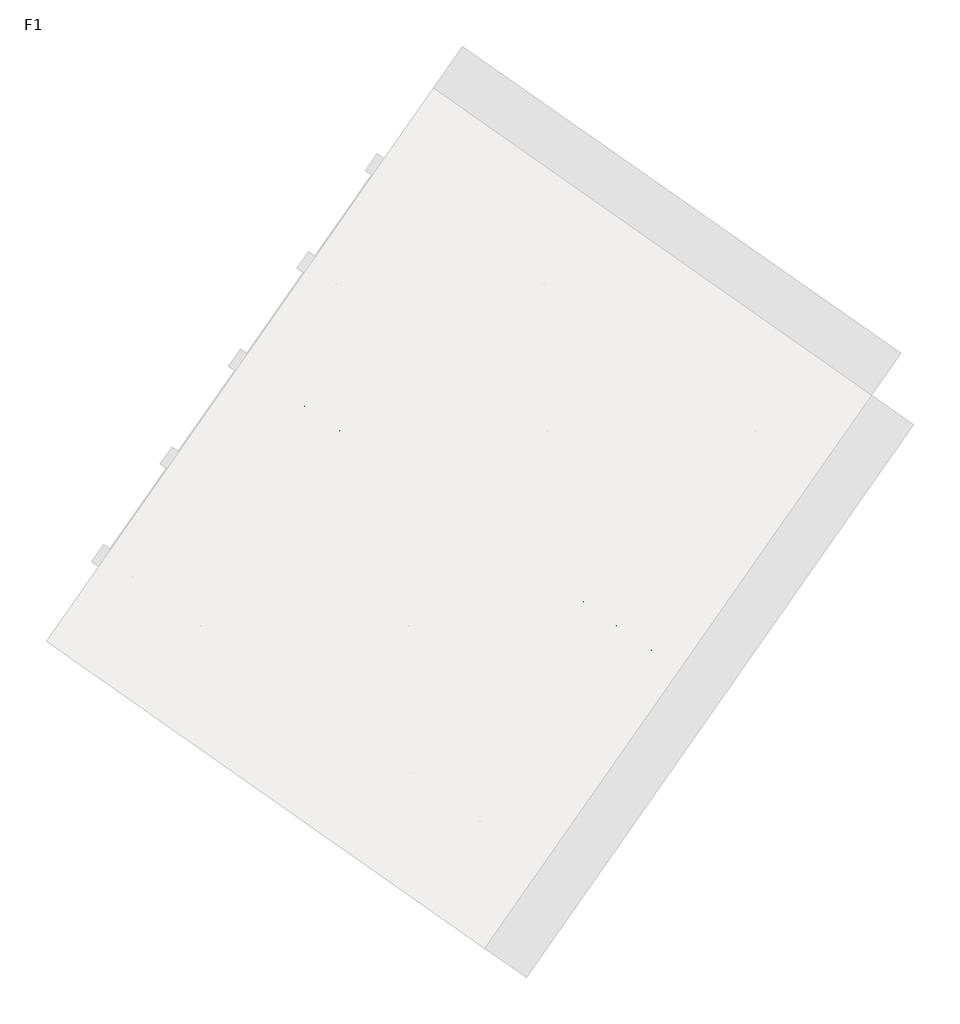
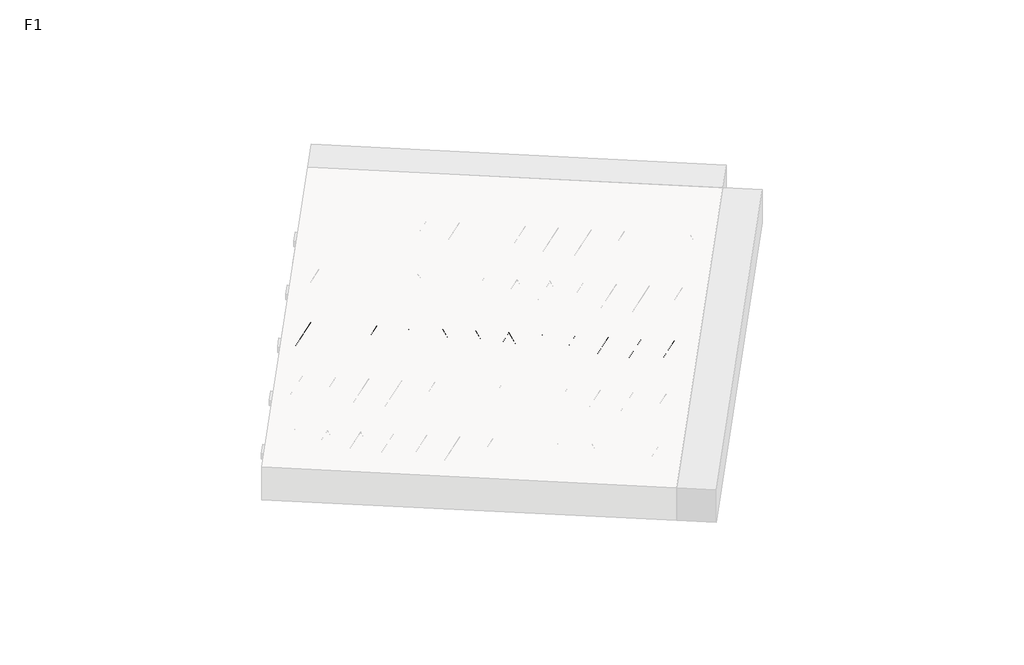
# One storey, part 23 of 30: 1 beam.
"""IFC4 building model written with IfcOpenShell, lengths in millimetres."""

from ifc_helpers import new_model, si_unit, point, frame, origin, origin_2d, place, context, project, spatial, circle_curve, trimmed, segment, composite_curve, outline, extrude, element, save

model = new_model("IFC4")

# Units and contexts
model_context = context("Model", 3, world=origin())
ifc_project = project(units=[si_unit("LENGTHUNIT", "METRE", prefix="MILLI")], contexts=[model_context])

# Site, building, storey
site = spatial("IfcSite", under=ifc_project)
building = spatial("IfcBuilding", under=site)
storey = spatial("IfcBuildingStorey", under=building, Name="F1", Elevation=99520.0)

# Beam
placement = place(None, origin())
element("IfcBeam", 1, at=placement, inside=storey, context=model_context, shape_type="SweptSolid", body=[
    extrude(outline(composite_curve([segment(trimmed(circle_curve(origin_2d(), 2.5), [point((-2.5, 0.0))], [point((2.5, 0.0))], False, "CARTESIAN"), True, "CONTINUOUS"), segment(trimmed(circle_curve(origin_2d(), 2.5), [point((2.5, 0.0))], [point((-2.5, 0.0))], False, "CARTESIAN"), True, "CONTINUOUS")], self_intersect=False)), frame((13894.7230399, 4082.9983882, 99745.0), z_axis=(-0.8191520442696126, 0.5735764363787226, 0.0), x_axis=(0.5735764363787226, 0.8191520442696126, 0.0)), (0.0, 0.0, 1.0), 3192.0),
    extrude(outline(composite_curve([segment(trimmed(circle_curve(origin_2d(), 2.5), [point((-2.5, 0.0))], [point((2.5, 0.0))], False, "CARTESIAN"), True, "CONTINUOUS"), segment(trimmed(circle_curve(origin_2d(), 2.5), [point((2.5, 0.0))], [point((-2.5, 0.0))], False, "CARTESIAN"), True, "CONTINUOUS")], self_intersect=False)), frame((13775.296792, 4210.5694324, 99970.0), z_axis=(-0.8191520442696126, 0.5735764363787226, 0.0), x_axis=(0.5735764363787226, 0.8191520442696126, 0.0)), (0.0, 0.0, 1.0), 2850.0),
    extrude(outline(composite_curve([segment(trimmed(circle_curve(origin_2d(), 2.5), [point((-2.5, 0.0))], [point((2.5, 0.0))], False, "CARTESIAN"), True, "CONTINUOUS"), segment(trimmed(circle_curve(origin_2d(), 2.5), [point((2.5, 0.0))], [point((-2.5, 0.0))], False, "CARTESIAN"), True, "CONTINUOUS")], self_intersect=False)), frame((13816.0844436, 4138.0617261, 99745.0), z_axis=(-0.3145304735701046, 0.38933448886848654, 0.8657304643902053), x_axis=(0.7778747638402499, 0.6284193279813057, 0.0)), (0.0, 0.0, 1.0), 259.8961331),
    extrude(outline(composite_curve([segment(trimmed(circle_curve(origin_2d(), 2.5), [point((2.5, -1e-07))], [point((-2.5, 0.0))], False, "CARTESIAN"), True, "CONTINUOUS"), segment(trimmed(circle_curve(origin_2d(), 2.5), [point((-2.5, 0.0))], [point((2.5, -1e-07))], False, "CARTESIAN"), True, "CONTINUOUS")], self_intersect=False)), frame((13611.2964326, 4281.4558352, 99745.0), z_axis=(0.47343050384693375, -0.16240172737369005, 0.8657304643902051), x_axis=(-0.3244721671091268, -0.9458952440791246, 0.0)), (0.0, 0.0, 1.0), 259.8961331),
    extrude(outline(composite_curve([segment(trimmed(circle_curve(origin_2d(), 2.5), [point((-2.5000001, 0.0))], [point((2.5, 0.0))], False, "CARTESIAN"), True, "CONTINUOUS"), segment(trimmed(circle_curve(origin_2d(), 2.5), [point((2.5, 0.0))], [point((-2.5000001, 0.0))], False, "CARTESIAN"), True, "CONTINUOUS")], self_intersect=False)), frame((13611.2964326, 4281.4558352, 99745.0), z_axis=(-0.3145304735701046, 0.38933448886848654, 0.8657304643902053), x_axis=(0.7778747638402499, 0.6284193279813057, 0.0)), (0.0, 0.0, 1.0), 259.8961331),
    extrude(outline(composite_curve([segment(trimmed(circle_curve(origin_2d(), 2.5), [point((2.5000001, 0.0))], [point((-2.5, 0.0))], False, "CARTESIAN"), True, "CONTINUOUS"), segment(trimmed(circle_curve(origin_2d(), 2.5), [point((-2.5, 0.0))], [point((2.5000001, 0.0))], False, "CARTESIAN"), True, "CONTINUOUS")], self_intersect=False)), frame((13406.5084215, 4424.8499443, 99745.0), z_axis=(0.47343050384693375, -0.16240172737369005, 0.8657304643902051), x_axis=(-0.3244721671091268, -0.9458952440791246, 0.0)), (0.0, 0.0, 1.0), 259.8961331),
    extrude(outline(composite_curve([segment(trimmed(circle_curve(origin_2d(), 2.5), [point((-2.5, -1e-07))], [point((2.5, 0.0))], False, "CARTESIAN"), True, "CONTINUOUS"), segment(trimmed(circle_curve(origin_2d(), 2.5), [point((2.5, 0.0))], [point((-2.5, -1e-07))], False, "CARTESIAN"), True, "CONTINUOUS")], self_intersect=False)), frame((13406.5084215, 4424.8499443, 99745.0), z_axis=(-0.3145304735701046, 0.38933448886848654, 0.8657304643902053), x_axis=(0.7778747638402499, 0.6284193279813057, 0.0)), (0.0, 0.0, 1.0), 259.8961331),
    extrude(outline(composite_curve([segment(trimmed(circle_curve(origin_2d(), 2.5), [point((2.5000001, 0.0))], [point((-2.5, 0.0))], False, "CARTESIAN"), True, "CONTINUOUS"), segment(trimmed(circle_curve(origin_2d(), 2.5), [point((-2.5, 0.0))], [point((2.5000001, 0.0))], False, "CARTESIAN"), True, "CONTINUOUS")], self_intersect=False)), frame((13201.7204104, 4568.2440534, 99745.0), z_axis=(0.47343050384693375, -0.16240172737369005, 0.8657304643902051), x_axis=(-0.3244721671091268, -0.9458952440791246, 0.0)), (0.0, 0.0, 1.0), 259.8961331),
    extrude(outline(composite_curve([segment(trimmed(circle_curve(origin_2d(), 2.5), [point((-2.5, -1e-07))], [point((2.5, 0.0))], False, "CARTESIAN"), True, "CONTINUOUS"), segment(trimmed(circle_curve(origin_2d(), 2.5), [point((2.5, 0.0))], [point((-2.5, -1e-07))], False, "CARTESIAN"), True, "CONTINUOUS")], self_intersect=False)), frame((13201.7204104, 4568.2440534, 99745.0), z_axis=(-0.3145304735701046, 0.38933448886848654, 0.8657304643902053), x_axis=(0.7778747638402499, 0.6284193279813057, 0.0)), (0.0, 0.0, 1.0), 259.8961331),
    extrude(outline(composite_curve([segment(trimmed(circle_curve(origin_2d(), 2.5), [point((2.5, -1e-07))], [point((-2.5000001, 0.0))], False, "CARTESIAN"), True, "CONTINUOUS"), segment(trimmed(circle_curve(origin_2d(), 2.5), [point((-2.5000001, 0.0))], [point((2.5, -1e-07))], False, "CARTESIAN"), True, "CONTINUOUS")], self_intersect=False)), frame((12996.9323994, 4711.6381624, 99745.0), z_axis=(0.47343050384693375, -0.16240172737369005, 0.8657304643902051), x_axis=(-0.3244721671091268, -0.9458952440791246, 0.0)), (0.0, 0.0, 1.0), 259.8961331),
    extrude(outline(composite_curve([segment(trimmed(circle_curve(origin_2d(), 2.5), [point((-2.5, 0.0))], [point((2.5000001, 0.0))], False, "CARTESIAN"), True, "CONTINUOUS"), segment(trimmed(circle_curve(origin_2d(), 2.5), [point((2.5000001, 0.0))], [point((-2.5, 0.0))], False, "CARTESIAN"), True, "CONTINUOUS")], self_intersect=False)), frame((12996.9323993, 4711.6381624, 99745.0), z_axis=(-0.3145304735701046, 0.38933448886848654, 0.8657304643902053), x_axis=(0.7778747638402499, 0.6284193279813057, 0.0)), (0.0, 0.0, 1.0), 259.8961331),
    extrude(outline(composite_curve([segment(trimmed(circle_curve(origin_2d(), 2.5), [point((2.5, 0.0))], [point((-2.5000001, 0.0))], False, "CARTESIAN"), True, "CONTINUOUS"), segment(trimmed(circle_curve(origin_2d(), 2.5), [point((-2.5000001, 0.0))], [point((2.5, 0.0))], False, "CARTESIAN"), True, "CONTINUOUS")], self_intersect=False)), frame((12792.1443883, 4855.0322715, 99745.0), z_axis=(0.47343050384693375, -0.16240172737369005, 0.8657304643902051), x_axis=(-0.3244721671091268, -0.9458952440791246, 0.0)), (0.0, 0.0, 1.0), 259.8961331),
    extrude(outline(composite_curve([segment(trimmed(circle_curve(origin_2d(), 2.5), [point((-2.5, 0.0))], [point((2.5, 1e-07))], False, "CARTESIAN"), True, "CONTINUOUS"), segment(trimmed(circle_curve(origin_2d(), 2.5), [point((2.5, 1e-07))], [point((-2.5, 0.0))], False, "CARTESIAN"), True, "CONTINUOUS")], self_intersect=False)), frame((12792.1443883, 4855.0322715, 99745.0), z_axis=(-0.3145304735701046, 0.38933448886848654, 0.8657304643902053), x_axis=(0.7778747638402499, 0.6284193279813057, 0.0)), (0.0, 0.0, 1.0), 259.8961331),
    extrude(outline(composite_curve([segment(trimmed(circle_curve(origin_2d(), 2.5), [point((2.5, 0.0))], [point((-2.5, 0.0))], False, "CARTESIAN"), True, "CONTINUOUS"), segment(trimmed(circle_curve(origin_2d(), 2.5), [point((-2.5, 0.0))], [point((2.5, 0.0))], False, "CARTESIAN"), True, "CONTINUOUS")], self_intersect=False)), frame((12587.3563772, 4998.4263806, 99745.0), z_axis=(0.47343050384693375, -0.16240172737369005, 0.8657304643902051), x_axis=(-0.3244721671091268, -0.9458952440791246, 0.0)), (0.0, 0.0, 1.0), 259.8961331),
    extrude(outline(composite_curve([segment(trimmed(circle_curve(origin_2d(), 2.5), [point((-2.5, 0.0))], [point((2.5, 1e-07))], False, "CARTESIAN"), True, "CONTINUOUS"), segment(trimmed(circle_curve(origin_2d(), 2.5), [point((2.5, 1e-07))], [point((-2.5, 0.0))], False, "CARTESIAN"), True, "CONTINUOUS")], self_intersect=False)), frame((12587.3563772, 4998.4263806, 99745.0), z_axis=(-0.3145304735701046, 0.38933448886848654, 0.8657304643902053), x_axis=(0.7778747638402499, 0.6284193279813057, 0.0)), (0.0, 0.0, 1.0), 259.8961331),
    extrude(outline(composite_curve([segment(trimmed(circle_curve(origin_2d(), 2.5), [point((2.5, 0.0))], [point((-2.5, 1e-07))], False, "CARTESIAN"), True, "CONTINUOUS"), segment(trimmed(circle_curve(origin_2d(), 2.5), [point((-2.5, 1e-07))], [point((2.5, 0.0))], False, "CARTESIAN"), True, "CONTINUOUS")], self_intersect=False)), frame((12382.5683661, 5141.8204897, 99745.0), z_axis=(0.47343050384693375, -0.16240172737369005, 0.8657304643902051), x_axis=(-0.3244721671091268, -0.9458952440791246, 0.0)), (0.0, 0.0, 1.0), 259.8961331),
    extrude(outline(composite_curve([segment(trimmed(circle_curve(origin_2d(), 2.5), [point((-2.5, 0.0))], [point((2.5000001, 0.0))], False, "CARTESIAN"), True, "CONTINUOUS"), segment(trimmed(circle_curve(origin_2d(), 2.5), [point((2.5000001, 0.0))], [point((-2.5, 0.0))], False, "CARTESIAN"), True, "CONTINUOUS")], self_intersect=False)), frame((12382.5683661, 5141.8204897, 99745.0), z_axis=(-0.3145304735701046, 0.38933448886848654, 0.8657304643902053), x_axis=(0.7778747638402499, 0.6284193279813057, 0.0)), (0.0, 0.0, 1.0), 259.8961331),
    extrude(outline(composite_curve([segment(trimmed(circle_curve(origin_2d(), 2.5), [point((2.5, 0.0))], [point((-2.5, 0.0))], False, "CARTESIAN"), True, "CONTINUOUS"), segment(trimmed(circle_curve(origin_2d(), 2.5), [point((-2.5, 0.0))], [point((2.5, 0.0))], False, "CARTESIAN"), True, "CONTINUOUS")], self_intersect=False)), frame((12177.7803551, 5285.2145988, 99745.0), z_axis=(0.47343050384693375, -0.16240172737369005, 0.8657304643902051), x_axis=(-0.3244721671091268, -0.9458952440791246, 0.0)), (0.0, 0.0, 1.0), 259.8961331),
    extrude(outline(composite_curve([segment(trimmed(circle_curve(origin_2d(), 2.5), [point((-2.5, 0.0))], [point((2.5, 0.0))], False, "CARTESIAN"), True, "CONTINUOUS"), segment(trimmed(circle_curve(origin_2d(), 2.5), [point((2.5, 0.0))], [point((-2.5, 0.0))], False, "CARTESIAN"), True, "CONTINUOUS")], self_intersect=False)), frame((12177.7803551, 5285.2145988, 99745.0), z_axis=(-0.3145304735701046, 0.38933448886848654, 0.8657304643902053), x_axis=(0.7778747638402499, 0.6284193279813057, 0.0)), (0.0, 0.0, 1.0), 259.8961331),
    extrude(outline(composite_curve([segment(trimmed(circle_curve(origin_2d(), 2.5), [point((2.5, 0.0))], [point((-2.5, 0.0))], False, "CARTESIAN"), True, "CONTINUOUS"), segment(trimmed(circle_curve(origin_2d(), 2.5), [point((-2.5, 0.0))], [point((2.5, 0.0))], False, "CARTESIAN"), True, "CONTINUOUS")], self_intersect=False)), frame((11972.992344, 5428.6087079, 99745.0), z_axis=(0.47343050384693375, -0.16240172737369005, 0.8657304643902051), x_axis=(-0.3244721671091268, -0.9458952440791246, 0.0)), (0.0, 0.0, 1.0), 259.8961331),
    extrude(outline(composite_curve([segment(trimmed(circle_curve(origin_2d(), 2.5), [point((-2.5, 0.0))], [point((2.5, 0.0))], False, "CARTESIAN"), True, "CONTINUOUS"), segment(trimmed(circle_curve(origin_2d(), 2.5), [point((2.5, 0.0))], [point((-2.5, 0.0))], False, "CARTESIAN"), True, "CONTINUOUS")], self_intersect=False)), frame((11972.992344, 5428.6087079, 99745.0), z_axis=(-0.3145304735701046, 0.38933448886848654, 0.8657304643902053), x_axis=(0.7778747638402499, 0.6284193279813057, 0.0)), (0.0, 0.0, 1.0), 259.8961331),
    extrude(outline(composite_curve([segment(trimmed(circle_curve(origin_2d(), 2.5), [point((2.5, 0.0))], [point((-2.5, 1e-07))], False, "CARTESIAN"), True, "CONTINUOUS"), segment(trimmed(circle_curve(origin_2d(), 2.5), [point((-2.5, 1e-07))], [point((2.5, 0.0))], False, "CARTESIAN"), True, "CONTINUOUS")], self_intersect=False)), frame((11768.2043329, 5572.002817, 99745.0), z_axis=(0.47343050384693375, -0.16240172737369005, 0.8657304643902051), x_axis=(-0.3244721671091268, -0.9458952440791246, 0.0)), (0.0, 0.0, 1.0), 259.8961331),
    extrude(outline(composite_curve([segment(trimmed(circle_curve(origin_2d(), 2.5), [point((-2.5, 0.0))], [point((2.5000001, -1e-07))], False, "CARTESIAN"), True, "CONTINUOUS"), segment(trimmed(circle_curve(origin_2d(), 2.5), [point((2.5000001, -1e-07))], [point((-2.5, 0.0))], False, "CARTESIAN"), True, "CONTINUOUS")], self_intersect=False)), frame((11768.2043329, 5572.002817, 99745.0), z_axis=(-0.3145304735701046, 0.38933448886848654, 0.8657304643902053), x_axis=(0.7778747638402499, 0.6284193279813057, 0.0)), (0.0, 0.0, 1.0), 259.8961331),
    extrude(outline(composite_curve([segment(trimmed(circle_curve(origin_2d(), 2.5), [point((2.5, 0.0))], [point((-2.5, 0.0))], False, "CARTESIAN"), True, "CONTINUOUS"), segment(trimmed(circle_curve(origin_2d(), 2.5), [point((-2.5, 0.0))], [point((2.5, 0.0))], False, "CARTESIAN"), True, "CONTINUOUS")], self_intersect=False)), frame((11563.4163219, 5715.3969261, 99745.0), z_axis=(0.47343050384693375, -0.16240172737369005, 0.8657304643902051), x_axis=(-0.3244721671091268, -0.9458952440791246, 0.0)), (0.0, 0.0, 1.0), 259.8961331),
    extrude(outline(composite_curve([segment(trimmed(circle_curve(origin_2d(), 2.5), [point((-2.5, 0.0))], [point((2.5, 0.0))], False, "CARTESIAN"), True, "CONTINUOUS"), segment(trimmed(circle_curve(origin_2d(), 2.5), [point((2.5, 0.0))], [point((-2.5, 0.0))], False, "CARTESIAN"), True, "CONTINUOUS")], self_intersect=False)), frame((11563.4163219, 5715.3969261, 99745.0), z_axis=(-0.3145304735701046, 0.38933448886848654, 0.8657304643902053), x_axis=(0.7778747638402499, 0.6284193279813057, 0.0)), (0.0, 0.0, 1.0), 259.8961331),
    extrude(outline(composite_curve([segment(trimmed(circle_curve(origin_2d(), 2.5), [point((2.5, 0.0))], [point((-2.5, 0.0))], False, "CARTESIAN"), True, "CONTINUOUS"), segment(trimmed(circle_curve(origin_2d(), 2.5), [point((-2.5, 0.0))], [point((2.5, 0.0))], False, "CARTESIAN"), True, "CONTINUOUS")], self_intersect=False)), frame((11358.6283108, 5858.7910352, 99745.0), z_axis=(0.47343050384693375, -0.16240172737369005, 0.8657304643902051), x_axis=(-0.3244721671091268, -0.9458952440791246, 0.0)), (0.0, 0.0, 1.0), 259.8961331),
    extrude(outline(composite_curve([segment(trimmed(circle_curve(origin_2d(), 2.5), [point((-2.5, 0.0))], [point((2.5, 0.0))], False, "CARTESIAN"), True, "CONTINUOUS"), segment(trimmed(circle_curve(origin_2d(), 2.5), [point((2.5, 0.0))], [point((-2.5, 0.0))], False, "CARTESIAN"), True, "CONTINUOUS")], self_intersect=False)), frame((13936.0205433, 4141.9773354, 99745.0), z_axis=(-0.8191520442696126, 0.5735764363787226, 0.0), x_axis=(0.5735764363787226, 0.8191520442696126, 0.0)), (0.0, 0.0, 1.0), 3192.0),
    extrude(outline(composite_curve([segment(trimmed(circle_curve(origin_2d(), 2.5), [point((-2.5000001, 0.0))], [point((2.5, -1e-07))], False, "CARTESIAN"), True, "CONTINUOUS"), segment(trimmed(circle_curve(origin_2d(), 2.5), [point((2.5, -1e-07))], [point((-2.5000001, 0.0))], False, "CARTESIAN"), True, "CONTINUOUS")], self_intersect=False)), frame((13857.381947, 4197.0406733, 99745.0), z_axis=(-0.47343050384693375, 0.16240172737369005, 0.8657304643902051), x_axis=(0.3244721671091268, 0.9458952440791246, 0.0)), (0.0, 0.0, 1.0), 259.8961331),
    extrude(outline(composite_curve([segment(trimmed(circle_curve(origin_2d(), 2.5), [point((2.5, 1e-07))], [point((-2.5, 0.0))], False, "CARTESIAN"), True, "CONTINUOUS"), segment(trimmed(circle_curve(origin_2d(), 2.5), [point((-2.5, 0.0))], [point((2.5, 1e-07))], False, "CARTESIAN"), True, "CONTINUOUS")], self_intersect=False)), frame((13652.593936, 4340.4347824, 99745.0), z_axis=(0.3145304735701046, -0.38933448886848654, 0.8657304643902053), x_axis=(-0.7778747638402499, -0.6284193279813057, 0.0)), (0.0, 0.0, 1.0), 259.8961331),
    extrude(outline(composite_curve([segment(trimmed(circle_curve(origin_2d(), 2.5), [point((-2.5000001, 0.0))], [point((2.5, 0.0))], False, "CARTESIAN"), True, "CONTINUOUS"), segment(trimmed(circle_curve(origin_2d(), 2.5), [point((2.5, 0.0))], [point((-2.5000001, 0.0))], False, "CARTESIAN"), True, "CONTINUOUS")], self_intersect=False)), frame((13652.593936, 4340.4347824, 99745.0), z_axis=(-0.47343050384693375, 0.16240172737369005, 0.8657304643902051), x_axis=(0.3244721671091268, 0.9458952440791246, 0.0)), (0.0, 0.0, 1.0), 259.8961331),
    extrude(outline(composite_curve([segment(trimmed(circle_curve(origin_2d(), 2.5), [point((2.5, 0.0))], [point((-2.5, -1e-07))], False, "CARTESIAN"), True, "CONTINUOUS"), segment(trimmed(circle_curve(origin_2d(), 2.5), [point((-2.5, -1e-07))], [point((2.5, 0.0))], False, "CARTESIAN"), True, "CONTINUOUS")], self_intersect=False)), frame((13447.8059249, 4483.8288914, 99745.0), z_axis=(0.3145304735701046, -0.38933448886848654, 0.8657304643902053), x_axis=(-0.7778747638402499, -0.6284193279813057, 0.0)), (0.0, 0.0, 1.0), 259.8961331),
    extrude(outline(composite_curve([segment(trimmed(circle_curve(origin_2d(), 2.5), [point((-2.5, 0.0))], [point((2.5000001, 0.0))], False, "CARTESIAN"), True, "CONTINUOUS"), segment(trimmed(circle_curve(origin_2d(), 2.5), [point((2.5000001, 0.0))], [point((-2.5, 0.0))], False, "CARTESIAN"), True, "CONTINUOUS")], self_intersect=False)), frame((13447.8059249, 4483.8288914, 99745.0), z_axis=(-0.47343050384693375, 0.16240172737369005, 0.8657304643902051), x_axis=(0.3244721671091268, 0.9458952440791246, 0.0)), (0.0, 0.0, 1.0), 259.8961331),
    extrude(outline(composite_curve([segment(trimmed(circle_curve(origin_2d(), 2.5), [point((2.5, 0.0))], [point((-2.5, -1e-07))], False, "CARTESIAN"), True, "CONTINUOUS"), segment(trimmed(circle_curve(origin_2d(), 2.5), [point((-2.5, -1e-07))], [point((2.5, 0.0))], False, "CARTESIAN"), True, "CONTINUOUS")], self_intersect=False)), frame((13243.0179138, 4627.2230005, 99745.0), z_axis=(0.3145304735701046, -0.38933448886848654, 0.8657304643902053), x_axis=(-0.7778747638402499, -0.6284193279813057, 0.0)), (0.0, 0.0, 1.0), 259.8961331),
    extrude(outline(composite_curve([segment(trimmed(circle_curve(origin_2d(), 2.5), [point((-2.5, 0.0))], [point((2.5000001, 0.0))], False, "CARTESIAN"), True, "CONTINUOUS"), segment(trimmed(circle_curve(origin_2d(), 2.5), [point((2.5000001, 0.0))], [point((-2.5, 0.0))], False, "CARTESIAN"), True, "CONTINUOUS")], self_intersect=False)), frame((13243.0179138, 4627.2230005, 99745.0), z_axis=(-0.47343050384693375, 0.16240172737369005, 0.8657304643902051), x_axis=(0.3244721671091268, 0.9458952440791246, 0.0)), (0.0, 0.0, 1.0), 259.8961331),
    extrude(outline(composite_curve([segment(trimmed(circle_curve(origin_2d(), 2.5), [point((2.5, 0.0))], [point((-2.5, -1e-07))], False, "CARTESIAN"), True, "CONTINUOUS"), segment(trimmed(circle_curve(origin_2d(), 2.5), [point((-2.5, -1e-07))], [point((2.5, 0.0))], False, "CARTESIAN"), True, "CONTINUOUS")], self_intersect=False)), frame((13038.2299028, 4770.6171096, 99745.0), z_axis=(0.3145304735701046, -0.38933448886848654, 0.8657304643902053), x_axis=(-0.7778747638402499, -0.6284193279813057, 0.0)), (0.0, 0.0, 1.0), 259.8961331),
    extrude(outline(composite_curve([segment(trimmed(circle_curve(origin_2d(), 2.5), [point((-2.5, 1e-07))], [point((2.5, 0.0))], False, "CARTESIAN"), True, "CONTINUOUS"), segment(trimmed(circle_curve(origin_2d(), 2.5), [point((2.5, 0.0))], [point((-2.5, 1e-07))], False, "CARTESIAN"), True, "CONTINUOUS")], self_intersect=False)), frame((13038.2299028, 4770.6171096, 99745.0), z_axis=(-0.47343050384693375, 0.16240172737369005, 0.8657304643902051), x_axis=(0.3244721671091268, 0.9458952440791246, 0.0)), (0.0, 0.0, 1.0), 259.8961331),
    extrude(outline(composite_curve([segment(trimmed(circle_curve(origin_2d(), 2.5), [point((2.5, 0.0))], [point((-2.5, -1e-07))], False, "CARTESIAN"), True, "CONTINUOUS"), segment(trimmed(circle_curve(origin_2d(), 2.5), [point((-2.5, -1e-07))], [point((2.5, 0.0))], False, "CARTESIAN"), True, "CONTINUOUS")], self_intersect=False)), frame((12833.4418917, 4914.0112187, 99745.0), z_axis=(0.3145304735701046, -0.38933448886848654, 0.8657304643902053), x_axis=(-0.7778747638402499, -0.6284193279813057, 0.0)), (0.0, 0.0, 1.0), 259.8961331),
    extrude(outline(composite_curve([segment(trimmed(circle_curve(origin_2d(), 2.5), [point((-2.5, 0.0))], [point((2.5, 0.0))], False, "CARTESIAN"), True, "CONTINUOUS"), segment(trimmed(circle_curve(origin_2d(), 2.5), [point((2.5, 0.0))], [point((-2.5, 0.0))], False, "CARTESIAN"), True, "CONTINUOUS")], self_intersect=False)), frame((12833.4418917, 4914.0112187, 99745.0), z_axis=(-0.47343050384693375, 0.16240172737369005, 0.8657304643902051), x_axis=(0.3244721671091268, 0.9458952440791246, 0.0)), (0.0, 0.0, 1.0), 259.8961331),
    extrude(outline(composite_curve([segment(trimmed(circle_curve(origin_2d(), 2.5), [point((2.5, 0.0))], [point((-2.5, 0.0))], False, "CARTESIAN"), True, "CONTINUOUS"), segment(trimmed(circle_curve(origin_2d(), 2.5), [point((-2.5, 0.0))], [point((2.5, 0.0))], False, "CARTESIAN"), True, "CONTINUOUS")], self_intersect=False)), frame((12628.6538806, 5057.4053278, 99745.0), z_axis=(0.3145304735701046, -0.38933448886848654, 0.8657304643902053), x_axis=(-0.7778747638402499, -0.6284193279813057, 0.0)), (0.0, 0.0, 1.0), 259.8961331),
    extrude(outline(composite_curve([segment(trimmed(circle_curve(origin_2d(), 2.5), [point((-2.5, 0.0))], [point((2.5, -1e-07))], False, "CARTESIAN"), True, "CONTINUOUS"), segment(trimmed(circle_curve(origin_2d(), 2.5), [point((2.5, -1e-07))], [point((-2.5, 0.0))], False, "CARTESIAN"), True, "CONTINUOUS")], self_intersect=False)), frame((12628.6538806, 5057.4053278, 99745.0), z_axis=(-0.47343050384693375, 0.16240172737369005, 0.8657304643902051), x_axis=(0.3244721671091268, 0.9458952440791246, 0.0)), (0.0, 0.0, 1.0), 259.8961331),
    extrude(outline(composite_curve([segment(trimmed(circle_curve(origin_2d(), 2.5), [point((2.5, 0.0))], [point((-2.5, 0.0))], False, "CARTESIAN"), True, "CONTINUOUS"), segment(trimmed(circle_curve(origin_2d(), 2.5), [point((-2.5, 0.0))], [point((2.5, 0.0))], False, "CARTESIAN"), True, "CONTINUOUS")], self_intersect=False)), frame((12423.8658696, 5200.7994369, 99745.0), z_axis=(0.3145304735701046, -0.38933448886848654, 0.8657304643902053), x_axis=(-0.7778747638402499, -0.6284193279813057, 0.0)), (0.0, 0.0, 1.0), 259.8961331),
    extrude(outline(composite_curve([segment(trimmed(circle_curve(origin_2d(), 2.5), [point((-2.5, 1e-07))], [point((2.5, 0.0))], False, "CARTESIAN"), True, "CONTINUOUS"), segment(trimmed(circle_curve(origin_2d(), 2.5), [point((2.5, 0.0))], [point((-2.5, 1e-07))], False, "CARTESIAN"), True, "CONTINUOUS")], self_intersect=False)), frame((12423.8658696, 5200.7994369, 99745.0), z_axis=(-0.47343050384693375, 0.16240172737369005, 0.8657304643902051), x_axis=(0.3244721671091268, 0.9458952440791246, 0.0)), (0.0, 0.0, 1.0), 259.8961331),
    extrude(outline(composite_curve([segment(trimmed(circle_curve(origin_2d(), 2.5), [point((2.5, 0.0))], [point((-2.5, 0.0))], False, "CARTESIAN"), True, "CONTINUOUS"), segment(trimmed(circle_curve(origin_2d(), 2.5), [point((-2.5, 0.0))], [point((2.5, 0.0))], False, "CARTESIAN"), True, "CONTINUOUS")], self_intersect=False)), frame((12219.0778585, 5344.193546, 99745.0), z_axis=(0.3145304735701046, -0.38933448886848654, 0.8657304643902053), x_axis=(-0.7778747638402499, -0.6284193279813057, 0.0)), (0.0, 0.0, 1.0), 259.8961331),
    extrude(outline(composite_curve([segment(trimmed(circle_curve(origin_2d(), 2.5), [point((-2.5, 0.0))], [point((2.5, 0.0))], False, "CARTESIAN"), True, "CONTINUOUS"), segment(trimmed(circle_curve(origin_2d(), 2.5), [point((2.5, 0.0))], [point((-2.5, 0.0))], False, "CARTESIAN"), True, "CONTINUOUS")], self_intersect=False)), frame((12219.0778585, 5344.193546, 99745.0), z_axis=(-0.47343050384693375, 0.16240172737369005, 0.8657304643902051), x_axis=(0.3244721671091268, 0.9458952440791246, 0.0)), (0.0, 0.0, 1.0), 259.8961331),
    extrude(outline(composite_curve([segment(trimmed(circle_curve(origin_2d(), 2.5), [point((2.5, 0.0))], [point((-2.5, 0.0))], False, "CARTESIAN"), True, "CONTINUOUS"), segment(trimmed(circle_curve(origin_2d(), 2.5), [point((-2.5, 0.0))], [point((2.5, 0.0))], False, "CARTESIAN"), True, "CONTINUOUS")], self_intersect=False)), frame((12014.2898474, 5487.5876551, 99745.0), z_axis=(0.3145304735701046, -0.38933448886848654, 0.8657304643902053), x_axis=(-0.7778747638402499, -0.6284193279813057, 0.0)), (0.0, 0.0, 1.0), 259.8961331),
    extrude(outline(composite_curve([segment(trimmed(circle_curve(origin_2d(), 2.5), [point((-2.5, 0.0))], [point((2.5, 0.0))], False, "CARTESIAN"), True, "CONTINUOUS"), segment(trimmed(circle_curve(origin_2d(), 2.5), [point((2.5, 0.0))], [point((-2.5, 0.0))], False, "CARTESIAN"), True, "CONTINUOUS")], self_intersect=False)), frame((12014.2898474, 5487.5876551, 99745.0), z_axis=(-0.47343050384693375, 0.16240172737369005, 0.8657304643902051), x_axis=(0.3244721671091268, 0.9458952440791246, 0.0)), (0.0, 0.0, 1.0), 259.8961331),
    extrude(outline(composite_curve([segment(trimmed(circle_curve(origin_2d(), 2.5), [point((2.5, 0.0))], [point((-2.5, 0.0))], False, "CARTESIAN"), True, "CONTINUOUS"), segment(trimmed(circle_curve(origin_2d(), 2.5), [point((-2.5, 0.0))], [point((2.5, 0.0))], False, "CARTESIAN"), True, "CONTINUOUS")], self_intersect=False)), frame((11809.5018364, 5630.9817642, 99745.0), z_axis=(0.3145304735701046, -0.38933448886848654, 0.8657304643902053), x_axis=(-0.7778747638402499, -0.6284193279813057, 0.0)), (0.0, 0.0, 1.0), 259.8961331),
    extrude(outline(composite_curve([segment(trimmed(circle_curve(origin_2d(), 2.5), [point((-2.5, 1e-07))], [point((2.5, 0.0))], False, "CARTESIAN"), True, "CONTINUOUS"), segment(trimmed(circle_curve(origin_2d(), 2.5), [point((2.5, 0.0))], [point((-2.5, 1e-07))], False, "CARTESIAN"), True, "CONTINUOUS")], self_intersect=False)), frame((11809.5018364, 5630.9817642, 99745.0), z_axis=(-0.47343050384693375, 0.16240172737369005, 0.8657304643902051), x_axis=(0.3244721671091268, 0.9458952440791246, 0.0)), (0.0, 0.0, 1.0), 259.8961331),
    extrude(outline(composite_curve([segment(trimmed(circle_curve(origin_2d(), 2.5), [point((2.5, 0.0))], [point((-2.5, 0.0))], False, "CARTESIAN"), True, "CONTINUOUS"), segment(trimmed(circle_curve(origin_2d(), 2.5), [point((-2.5, 0.0))], [point((2.5, 0.0))], False, "CARTESIAN"), True, "CONTINUOUS")], self_intersect=False)), frame((11604.7138253, 5774.3758733, 99745.0), z_axis=(0.3145304735701046, -0.38933448886848654, 0.8657304643902053), x_axis=(-0.7778747638402499, -0.6284193279813057, 0.0)), (0.0, 0.0, 1.0), 259.8961331),
    extrude(outline(composite_curve([segment(trimmed(circle_curve(origin_2d(), 2.5), [point((-2.5, 0.0))], [point((2.5, 0.0))], False, "CARTESIAN"), True, "CONTINUOUS"), segment(trimmed(circle_curve(origin_2d(), 2.5), [point((2.5, 0.0))], [point((-2.5, 0.0))], False, "CARTESIAN"), True, "CONTINUOUS")], self_intersect=False)), frame((11604.7138253, 5774.3758733, 99745.0), z_axis=(-0.47343050384693375, 0.16240172737369005, 0.8657304643902051), x_axis=(0.3244721671091268, 0.9458952440791246, 0.0)), (0.0, 0.0, 1.0), 259.8961331),
    extrude(outline(composite_curve([segment(trimmed(circle_curve(origin_2d(), 2.5), [point((2.5, 0.0))], [point((-2.5, 0.0))], False, "CARTESIAN"), True, "CONTINUOUS"), segment(trimmed(circle_curve(origin_2d(), 2.5), [point((-2.5, 0.0))], [point((2.5, 0.0))], False, "CARTESIAN"), True, "CONTINUOUS")], self_intersect=False)), frame((11399.9258142, 5917.7699824, 99745.0), z_axis=(0.3145304735701046, -0.38933448886848654, 0.8657304643902053), x_axis=(-0.7778747638402499, -0.6284193279813057, 0.0)), (0.0, 0.0, 1.0), 259.8961331),
])

save(model, "model.ifc")
